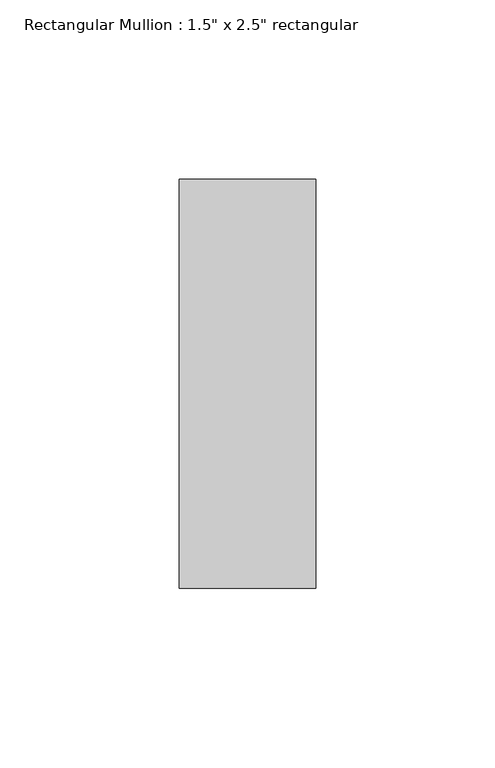
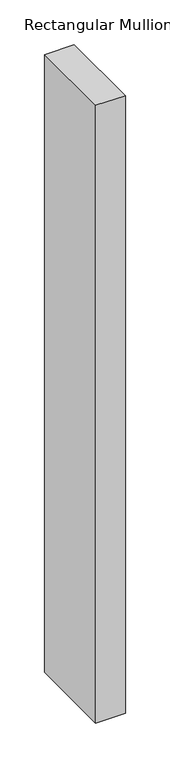
"""IFC4 building model written with IfcOpenShell, lengths in millimetres: member geometry."""

from ifc_helpers import new_model, si_unit, frame, origin, place, context, project, spatial, polyline, outline, extrude, source, transform, mapped, element, save


def member_4ec198a1(model_context):
    return source(origin(), model_context, "Body", "SweptSolid", [
        extrude(outline(polyline([(0.0, 57.15), (0.0, -57.15), (-38.1, -57.15), (-38.1, 57.15), (0.0, 57.15)])), frame((0.0, 0.0, -842.1169147), z_axis=(0.0, 0.0, 1.0), x_axis=(1.0, 0.0, 0.0)), (0.0, 0.0, 1.0), 842.1169147),
    ])


if __name__ == "__main__":
    model = new_model("IFC4")
    model_context = context("Model", 3, world=origin())
    ifc_project = project(units=[si_unit("LENGTHUNIT", "METRE", prefix="MILLI")], contexts=[model_context])
    site = spatial("IfcSite", under=ifc_project)
    building = spatial("IfcBuilding", under=site)
    placement = place(None, origin())
    member_shape = member_4ec198a1(model_context)
    element("IfcMember", 1, ObjectType="Rectangular Mullion : 1.5\" x 2.5\" rectangular", at=placement, inside=building, context=model_context, shape_type="MappedRepresentation", body=[
        mapped(member_shape, transform((0.0, 0.0, 0.0), x_axis=(1.0, 0.0, 0.0), y_axis=(0.0, 1.0, 0.0), z_axis=(0.0, 0.0, 1.0))),
    ])
    save(model, "model.ifc")
